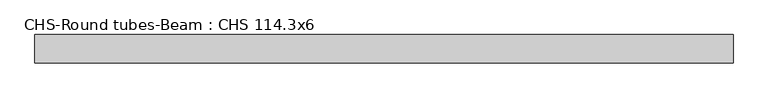
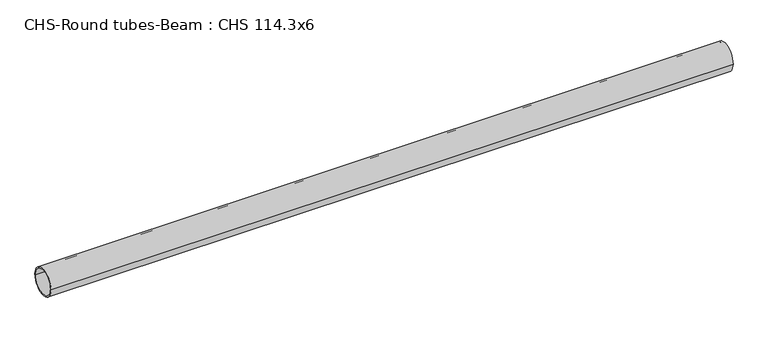
"""IFC4 building model written with IfcOpenShell, lengths in millimetres: beam geometry, CHS-Round tubes-Beam : CHS 114.3x6."""

from ifc_helpers import new_model, si_unit, point, frame, origin, origin_2d, place, context, project, spatial, circle_curve, trimmed, segment, composite_curve, outline, extrude, source, transform, mapped, element, save


def chs_round_tubes_beam_chs_114_3x6_b265a41a(model_context):
    return source(origin(), model_context, "Body", "SweptSolid", [
        extrude(outline(composite_curve([segment(trimmed(circle_curve(origin_2d(), 57.15), [point((57.15, 0.0))], [point((-57.15, 0.0))], False, "CARTESIAN"), True, "CONTINUOUS"), segment(trimmed(circle_curve(origin_2d(), 57.15), [point((-57.15, 0.0))], [point((57.15, 0.0))], False, "CARTESIAN"), True, "CONTINUOUS")], self_intersect=False), holes=[composite_curve([segment(trimmed(circle_curve(origin_2d(), 51.15), [point((51.15, 0.0))], [point((-51.15, 0.0))], True, "CARTESIAN"), True, "CONTINUOUS"), segment(trimmed(circle_curve(origin_2d(), 51.15), [point((-51.15, 0.0))], [point((51.15, 0.0))], True, "CARTESIAN"), True, "CONTINUOUS")], self_intersect=False)]), frame((-1400.0751583, 0.0, 0.0), z_axis=(1.0, 0.0, 0.0), x_axis=(0.0, 1.0, 0.0)), (0.0, 0.0, 1.0), 2800.7004259),
    ])


if __name__ == "__main__":
    model = new_model("IFC4")
    model_context = context("Model", 3, world=origin())
    ifc_project = project(units=[si_unit("LENGTHUNIT", "METRE", prefix="MILLI")], contexts=[model_context])
    site = spatial("IfcSite", under=ifc_project)
    building = spatial("IfcBuilding", under=site)
    placement = place(None, origin())
    chs_round_tubes_beam_chs_114_3x6_shape = chs_round_tubes_beam_chs_114_3x6_b265a41a(model_context)
    element("IfcBeam", 1, ObjectType="CHS-Round tubes-Beam : CHS 114.3x6", at=placement, inside=building, context=model_context, shape_type="MappedRepresentation", body=[
        mapped(chs_round_tubes_beam_chs_114_3x6_shape, transform((0.0, 0.0, 0.0), x_axis=(1.0, 0.0, 0.0), y_axis=(0.0, 1.0, 0.0), z_axis=(0.0, 0.0, 1.0))),
    ])
    save(model, "model.ifc")
